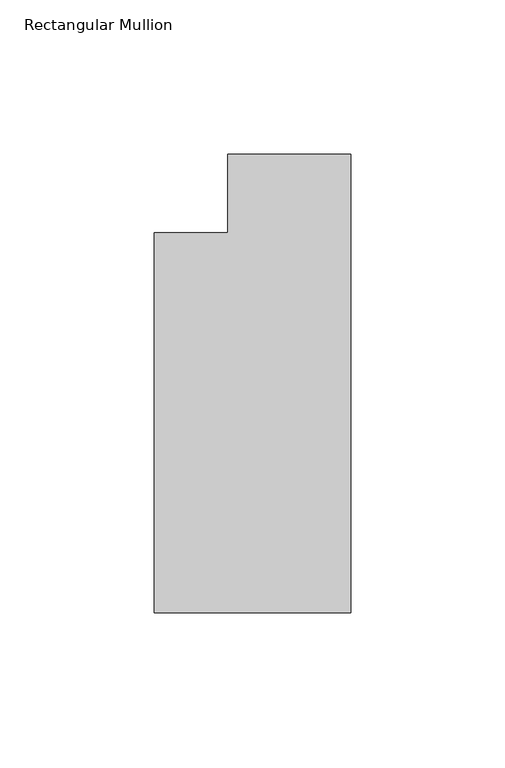
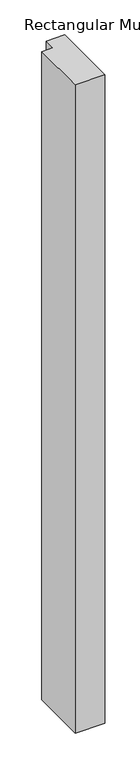
"""IFC4 building model written with IfcOpenShell, lengths in millimetres: member geometry, Rectangular Mullion."""

from ifc_helpers import new_model, si_unit, frame, origin, place, context, project, spatial, polyline, outline, extrude, source, transform, mapped, element, save


def rectangular_mullion_83484ab9(model_context):
    return source(origin(), model_context, "Body", "SweptSolid", [
        extrude(outline(polyline([(-63.5, -135.73125), (-63.5, -12.7), (-39.6875, -12.7), (-39.6875, 12.7), (0.0, 12.7), (0.0, -135.73125), (-63.5, -135.73125)])), frame((0.0, 0.0, -1460.5), z_axis=(0.0, 0.0, 1.0), x_axis=(1.0, 0.0, 0.0)), (0.0, 0.0, 1.0), 1460.5),
    ])


if __name__ == "__main__":
    model = new_model("IFC4")
    model_context = context("Model", 3, world=origin())
    ifc_project = project(units=[si_unit("LENGTHUNIT", "METRE", prefix="MILLI")], contexts=[model_context])
    site = spatial("IfcSite", under=ifc_project)
    building = spatial("IfcBuilding", under=site)
    placement = place(None, origin())
    rectangular_mullion_shape = rectangular_mullion_83484ab9(model_context)
    element("IfcMember", 1, ObjectType="Rectangular Mullion", at=placement, inside=building, context=model_context, shape_type="MappedRepresentation", body=[
        mapped(rectangular_mullion_shape, transform((0.0, 0.0, 0.0), x_axis=(1.0, 0.0, 0.0), y_axis=(0.0, 1.0, 0.0), z_axis=(0.0, 0.0, 1.0))),
    ])
    save(model, "model.ifc")
